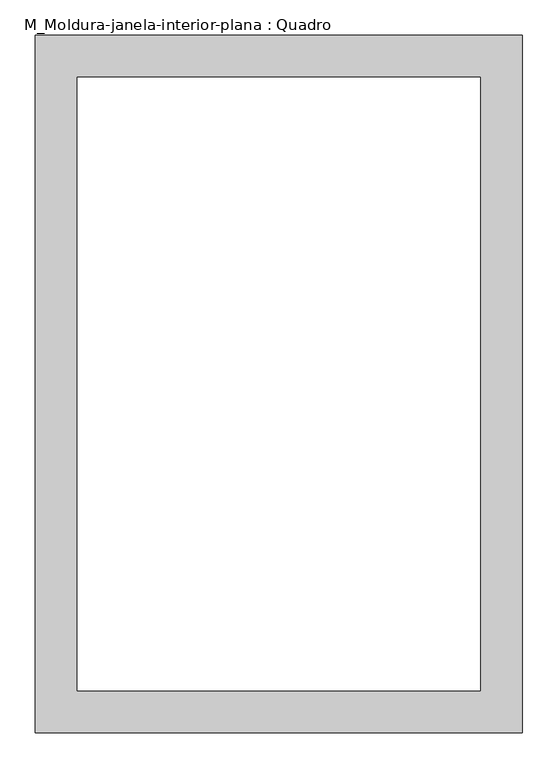
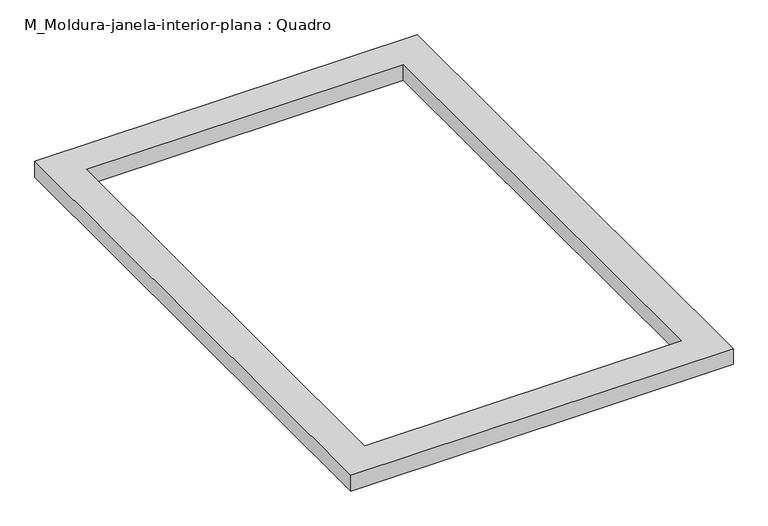
"""IFC4 building model written with IfcOpenShell, lengths in millimetres: proxy geometry, M_Moldura-janela-interior-plana : Quadro."""

from ifc_helpers import new_model, si_unit, origin, origin_with_axes, place, context, project, spatial, polyline, outline, extrude, source, transform, mapped, element, save


def m_moldura_janela_interior_plana_quadro_0a41e60c(model_context):
    return source(origin(), model_context, "Body", "SweptSolid", [
        extrude(outline(polyline([(347.3, 47.3), (347.3, -947.3), (-347.3, -947.3), (-347.3, 47.3), (347.3, 47.3)]), holes=[polyline([(287.3, -12.7), (-287.3, -12.7), (-287.3, -887.3), (287.3, -887.3), (287.3, -12.7)])]), origin_with_axes(), (0.0, 0.0, 1.0), 30.0),
    ])


if __name__ == "__main__":
    model = new_model("IFC4")
    model_context = context("Model", 3, world=origin())
    ifc_project = project(units=[si_unit("LENGTHUNIT", "METRE", prefix="MILLI")], contexts=[model_context])
    site = spatial("IfcSite", under=ifc_project)
    building = spatial("IfcBuilding", under=site)
    placement = place(None, origin())
    m_moldura_janela_interior_plana_quadro_shape = m_moldura_janela_interior_plana_quadro_0a41e60c(model_context)
    element("IfcBuildingElementProxy", 1, Name="M_Moldura-janela-interior-plana : Quadro", ObjectType="M_Moldura-janela-interior-plana : Quadro", at=placement, inside=building, context=model_context, shape_type="MappedRepresentation", body=[
        mapped(m_moldura_janela_interior_plana_quadro_shape, transform((0.0, 0.0, 0.0), x_axis=(1.0, 0.0, 0.0), y_axis=(0.0, 1.0, 0.0), z_axis=(0.0, 0.0, 1.0))),
    ])
    save(model, "model.ifc")
